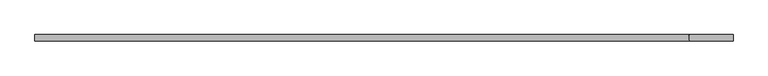
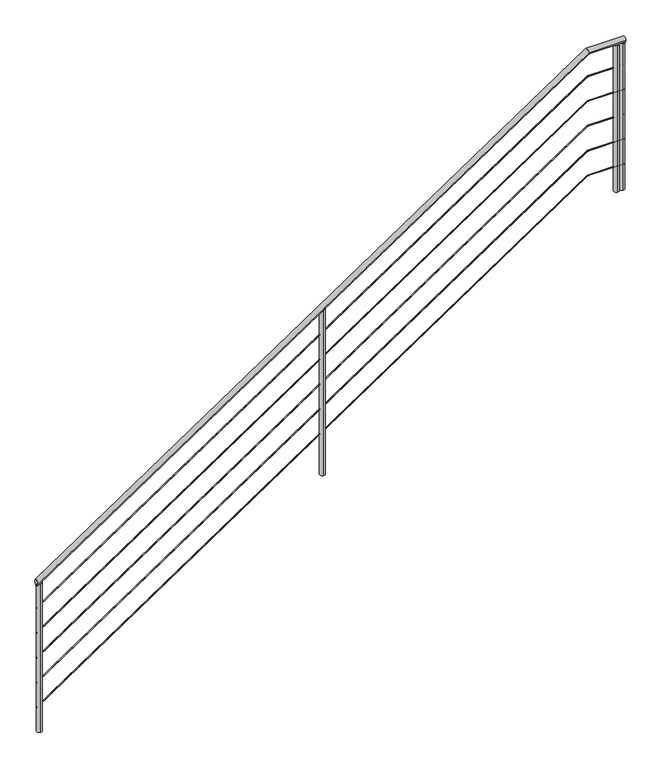
"""IFC4 building model written with IfcOpenShell, lengths in millimetres: railing geometry."""

from ifc_helpers import new_model, si_unit, point, frame, frame_2d, origin, place, context, project, spatial, circle_curve, ellipse_curve, trimmed, segment, composite_curve, outline, extrude, source, transform, mapped, element, save
from ifc_brep_helpers import plane_surface, cylinder_surface, advanced_brep


def railing_a1680101(model_context):
    return source(origin(), model_context, "Body", "SolidModel", [
        advanced_brep(
        [(38639.2418862, 5002.4018587, 1387.5), (38639.2418862, 4962.4018587, 1387.5), (42839.2418862, 4962.4018587, 4200.0), (42839.2418862, 5002.4018587, 4200.0), (43119.2418862, 5002.4018587, 4200.0), (43119.2418862, 4962.4018587, 4200.0)],
        [
            (0, 1, ellipse_curve(frame((38639.2418862, 4982.4018587, 1387.5), z_axis=(-1.0, 0.0, 0.0), x_axis=(0.0, 0.0, -1.0)), 24.0700773, 20.0)),
            (1, 0, ellipse_curve(frame((38639.2418862, 4982.4018587, 1387.5), z_axis=(-1.0, 0.0, 0.0), x_axis=(0.0, 0.0, -1.0)), 24.0700773, 20.0)),
            (1, 2),
            (2, 3, ellipse_curve(frame((42839.2418862, 4982.4018587, 4200.0), z_axis=(-0.9567933886099727, 0.0, -0.2907686563442594), x_axis=(0.29076865634425997, 0.0, -0.9567933886099725)), 20.9031545, 20.0)),
            (3, 0),
            (3, 2, ellipse_curve(frame((42839.2418862, 4982.4018587, 4200.0), z_axis=(-0.9567933886099727, 0.0, -0.2907686563442594), x_axis=(0.29076865634425997, 0.0, -0.9567933886099725)), 20.9031545, 20.0)),
            (4, 5, circle_curve(frame((43119.2418862, 4982.4018587, 4200.0), z_axis=(1.0, 0.0, 0.0), x_axis=(0.0, -1.0, 0.0)), 20.0)),
            (5, 4, circle_curve(frame((43119.2418862, 4982.4018587, 4200.0), z_axis=(1.0, 0.0, 0.0), x_axis=(0.0, -1.0, 0.0)), 20.0)),
            (2, 5),
            (4, 3),
        ],
        [
            plane_surface(frame((38639.2418862, 4982.4018587, 1387.5), z_axis=(-1.0, 0.0, 0.0), x_axis=(0.0, 1.0, 0.0))),
            cylinder_surface(frame((38639.2418862, 4982.4018587, 1387.5), z_axis=(-0.8309071769755081, 0.0, -0.5564110560103851), x_axis=(0.0, -1.0, 0.0)), 20.0),
            plane_surface(frame((43119.2418862, 4982.4018587, 4200.0), z_axis=(1.0, 0.0, 0.0), x_axis=(0.0, 1.0, 0.0))),
            cylinder_surface(frame((42839.2418862, 4982.4018587, 4200.0), z_axis=(-1.0, 0.0, 0.0), x_axis=(0.0, -1.0, 0.0)), 20.0),
        ],
        [
            (0, [[1, 2]]),
            (1, [[-2, 3, 4, 5]]),
            (1, [[-1, -5, 6, -3]]),
            (2, [[7, 8]]),
            (3, [[-4, 9, -7, 10]]),
            (3, [[-6, -10, -8, -9]]),
        ],
    ),
        advanced_brep(
        [(38639.2418862, 4985.4018587, 1183.8894884), (38639.2418862, 4979.4018587, 1183.8894884), (43119.2418862, 4985.4018587, 3997.0), (43119.2418862, 4979.4018587, 3997.0), (42840.1535835, 4985.4018587, 3997.0), (42840.1535835, 4979.4018587, 3997.0)],
        [
            (0, 1, ellipse_curve(frame((38639.2418862, 4982.4018587, 1183.8894884), z_axis=(-1.0, 0.0, 0.0), x_axis=(0.0, 0.0, -1.0)), 3.6105116, 3.0)),
            (1, 0, ellipse_curve(frame((38639.2418862, 4982.4018587, 1183.8894884), z_axis=(-1.0, 0.0, 0.0), x_axis=(0.0, 0.0, -1.0)), 3.6105116, 3.0)),
            (2, 3, circle_curve(frame((43119.2418862, 4982.4018587, 3997.0), z_axis=(1.0, 0.0, 0.0), x_axis=(0.0, -1.0, 0.0)), 3.0)),
            (3, 2, circle_curve(frame((43119.2418862, 4982.4018587, 3997.0), z_axis=(1.0, 0.0, 0.0), x_axis=(0.0, -1.0, 0.0)), 3.0)),
            (0, 4),
            (4, 5, ellipse_curve(frame((42840.1535835, 4982.4018587, 3997.0), z_axis=(-0.9567933886099727, 0.0, -0.2907686563442594), x_axis=(0.29076865634425997, 0.0, -0.9567933886099725)), 3.1354732, 3.0)),
            (5, 1),
            (5, 4, ellipse_curve(frame((42840.1535835, 4982.4018587, 3997.0), z_axis=(-0.9567933886099727, 0.0, -0.2907686563442594), x_axis=(0.29076865634425997, 0.0, -0.9567933886099725)), 3.1354732, 3.0)),
            (4, 2),
            (3, 5),
        ],
        [
            plane_surface(frame((38639.2418862, 4982.4018587, 1187.5), z_axis=(-1.0, 0.0, 0.0), x_axis=(0.0, 1.0, 0.0))),
            plane_surface(frame((43119.2418862, 4982.4018587, 4000.0), z_axis=(1.0, 0.0, 0.0), x_axis=(0.0, 1.0, 0.0))),
            cylinder_surface(frame((38640.9111193, 4982.4018587, 1185.0072785), z_axis=(-0.8309071769755081, 0.0, -0.5564110560103851), x_axis=(0.0, -1.0, 0.0)), 3.0),
            cylinder_surface(frame((42839.2418862, 4982.4018587, 3997.0), z_axis=(-1.0, 0.0, 0.0), x_axis=(0.0, -1.0, 0.0)), 3.0),
        ],
        [
            (0, [[1, 2]]),
            (1, [[3, 4]]),
            (2, [[-1, 5, 6, 7]]),
            (2, [[-2, -7, 8, -5]]),
            (3, [[-6, 9, -4, 10]]),
            (3, [[-8, -10, -3, -9]]),
        ],
    ),
        advanced_brep(
        [(38639.2418862, 4985.4018587, 983.8894884), (38639.2418862, 4979.4018587, 983.8894884), (42840.1535835, 4985.4018587, 3797.0), (42840.1535835, 4979.4018587, 3797.0), (43119.2418862, 4985.4018587, 3797.0), (43119.2418862, 4979.4018587, 3797.0)],
        [
            (0, 1, ellipse_curve(frame((38639.2418862, 4982.4018587, 983.8894884), z_axis=(-1.0, 0.0, 0.0), x_axis=(0.0, 0.0, -1.0)), 3.6105116, 3.0)),
            (1, 0, ellipse_curve(frame((38639.2418862, 4982.4018587, 983.8894884), z_axis=(-1.0, 0.0, 0.0), x_axis=(0.0, 0.0, -1.0)), 3.6105116, 3.0)),
            (0, 2),
            (2, 3, ellipse_curve(frame((42840.1535835, 4982.4018587, 3797.0), z_axis=(-0.9567933886099727, 0.0, -0.2907686563442594), x_axis=(0.29076865634425997, 0.0, -0.9567933886099725)), 3.1354732, 3.0)),
            (3, 1),
            (3, 2, ellipse_curve(frame((42840.1535835, 4982.4018587, 3797.0), z_axis=(-0.9567933886099727, 0.0, -0.2907686563442594), x_axis=(0.29076865634425997, 0.0, -0.9567933886099725)), 3.1354732, 3.0)),
            (4, 5, circle_curve(frame((43119.2418862, 4982.4018587, 3797.0), z_axis=(1.0, 0.0, 0.0), x_axis=(0.0, -1.0, 0.0)), 3.0)),
            (5, 4, circle_curve(frame((43119.2418862, 4982.4018587, 3797.0), z_axis=(1.0, 0.0, 0.0), x_axis=(0.0, -1.0, 0.0)), 3.0)),
            (2, 4),
            (5, 3),
        ],
        [
            plane_surface(frame((38639.2418862, 4982.4018587, 987.5), z_axis=(-1.0, 0.0, 0.0), x_axis=(0.0, 1.0, 0.0))),
            cylinder_surface(frame((38640.9111193, 4982.4018587, 985.0072785), z_axis=(-0.8309071769755081, 0.0, -0.5564110560103851), x_axis=(0.0, -1.0, 0.0)), 3.0),
            plane_surface(frame((43119.2418862, 4982.4018587, 3800.0), z_axis=(1.0, 0.0, 0.0), x_axis=(0.0, 1.0, 0.0))),
            cylinder_surface(frame((42839.2418862, 4982.4018587, 3797.0), z_axis=(-1.0, 0.0, 0.0), x_axis=(0.0, -1.0, 0.0)), 3.0),
        ],
        [
            (0, [[1, 2]]),
            (1, [[-1, 3, 4, 5]]),
            (1, [[-2, -5, 6, -3]]),
            (2, [[7, 8]]),
            (3, [[-4, 9, -8, 10]]),
            (3, [[-6, -10, -7, -9]]),
        ],
    ),
        advanced_brep(
        [(38639.2418862, 4985.4018587, 783.8894884), (38639.2418862, 4979.4018587, 783.8894884), (42840.1535835, 4985.4018587, 3597.0), (42840.1535835, 4979.4018587, 3597.0), (43119.2418862, 4985.4018587, 3597.0), (43119.2418862, 4979.4018587, 3597.0)],
        [
            (0, 1, ellipse_curve(frame((38639.2418862, 4982.4018587, 783.8894884), z_axis=(-1.0, 0.0, 0.0), x_axis=(0.0, 0.0, -1.0)), 3.6105116, 3.0)),
            (1, 0, ellipse_curve(frame((38639.2418862, 4982.4018587, 783.8894884), z_axis=(-1.0, 0.0, 0.0), x_axis=(0.0, 0.0, -1.0)), 3.6105116, 3.0)),
            (0, 2),
            (2, 3, ellipse_curve(frame((42840.1535835, 4982.4018587, 3597.0), z_axis=(-0.9567933886099727, 0.0, -0.2907686563442594), x_axis=(0.29076865634425997, 0.0, -0.9567933886099725)), 3.1354732, 3.0)),
            (3, 1),
            (3, 2, ellipse_curve(frame((42840.1535835, 4982.4018587, 3597.0), z_axis=(-0.9567933886099727, 0.0, -0.2907686563442594), x_axis=(0.29076865634425997, 0.0, -0.9567933886099725)), 3.1354732, 3.0)),
            (4, 5, circle_curve(frame((43119.2418862, 4982.4018587, 3597.0), z_axis=(1.0, 0.0, 0.0), x_axis=(0.0, -1.0, 0.0)), 3.0)),
            (5, 4, circle_curve(frame((43119.2418862, 4982.4018587, 3597.0), z_axis=(1.0, 0.0, 0.0), x_axis=(0.0, -1.0, 0.0)), 3.0)),
            (2, 4),
            (5, 3),
        ],
        [
            plane_surface(frame((38639.2418862, 4982.4018587, 787.5), z_axis=(-1.0, 0.0, 0.0), x_axis=(0.0, 1.0, 0.0))),
            cylinder_surface(frame((38640.9111193, 4982.4018587, 785.0072785), z_axis=(-0.8309071769755081, 0.0, -0.5564110560103851), x_axis=(0.0, -1.0, 0.0)), 3.0),
            plane_surface(frame((43119.2418862, 4982.4018587, 3600.0), z_axis=(1.0, 0.0, 0.0), x_axis=(0.0, 1.0, 0.0))),
            cylinder_surface(frame((42839.2418862, 4982.4018587, 3597.0), z_axis=(-1.0, 0.0, 0.0), x_axis=(0.0, -1.0, 0.0)), 3.0),
        ],
        [
            (0, [[1, 2]]),
            (1, [[-1, 3, 4, 5]]),
            (1, [[-2, -5, 6, -3]]),
            (2, [[7, 8]]),
            (3, [[-4, 9, -8, 10]]),
            (3, [[-6, -10, -7, -9]]),
        ],
    ),
        advanced_brep(
        [(38639.2418862, 4985.4018587, 583.8894884), (38639.2418862, 4979.4018587, 583.8894884), (42840.1535835, 4985.4018587, 3397.0), (42840.1535835, 4979.4018587, 3397.0), (43119.2418862, 4985.4018587, 3397.0), (43119.2418862, 4979.4018587, 3397.0)],
        [
            (0, 1, ellipse_curve(frame((38639.2418862, 4982.4018587, 583.8894884), z_axis=(-1.0, 0.0, 0.0), x_axis=(0.0, 0.0, -1.0)), 3.6105116, 3.0)),
            (1, 0, ellipse_curve(frame((38639.2418862, 4982.4018587, 583.8894884), z_axis=(-1.0, 0.0, 0.0), x_axis=(0.0, 0.0, -1.0)), 3.6105116, 3.0)),
            (0, 2),
            (2, 3, ellipse_curve(frame((42840.1535835, 4982.4018587, 3397.0), z_axis=(-0.9567933886099727, 0.0, -0.2907686563442594), x_axis=(0.29076865634425997, 0.0, -0.9567933886099725)), 3.1354732, 3.0)),
            (3, 1),
            (3, 2, ellipse_curve(frame((42840.1535835, 4982.4018587, 3397.0), z_axis=(-0.9567933886099727, 0.0, -0.2907686563442594), x_axis=(0.29076865634425997, 0.0, -0.9567933886099725)), 3.1354732, 3.0)),
            (4, 5, circle_curve(frame((43119.2418862, 4982.4018587, 3397.0), z_axis=(1.0, 0.0, 0.0), x_axis=(0.0, -1.0, 0.0)), 3.0)),
            (5, 4, circle_curve(frame((43119.2418862, 4982.4018587, 3397.0), z_axis=(1.0, 0.0, 0.0), x_axis=(0.0, -1.0, 0.0)), 3.0)),
            (2, 4),
            (5, 3),
        ],
        [
            plane_surface(frame((38639.2418862, 4982.4018587, 587.5), z_axis=(-1.0, 0.0, 0.0), x_axis=(0.0, 1.0, 0.0))),
            cylinder_surface(frame((38640.9111193, 4982.4018587, 585.0072785), z_axis=(-0.8309071769755081, 0.0, -0.5564110560103851), x_axis=(0.0, -1.0, 0.0)), 3.0),
            plane_surface(frame((43119.2418862, 4982.4018587, 3400.0), z_axis=(1.0, 0.0, 0.0), x_axis=(0.0, 1.0, 0.0))),
            cylinder_surface(frame((42839.2418862, 4982.4018587, 3397.0), z_axis=(-1.0, 0.0, 0.0), x_axis=(0.0, -1.0, 0.0)), 3.0),
        ],
        [
            (0, [[1, 2]]),
            (1, [[-1, 3, 4, 5]]),
            (1, [[-2, -5, 6, -3]]),
            (2, [[7, 8]]),
            (3, [[-4, 9, -8, 10]]),
            (3, [[-6, -10, -7, -9]]),
        ],
    ),
        advanced_brep(
        [(38639.2418862, 4985.4018587, 383.8894884), (38639.2418862, 4979.4018587, 383.8894884), (42840.1535835, 4985.4018587, 3197.0), (42840.1535835, 4979.4018587, 3197.0), (43119.2418862, 4985.4018587, 3197.0), (43119.2418862, 4979.4018587, 3197.0)],
        [
            (0, 1, ellipse_curve(frame((38639.2418862, 4982.4018587, 383.8894884), z_axis=(-1.0, 0.0, 0.0), x_axis=(0.0, 0.0, -1.0)), 3.6105116, 3.0)),
            (1, 0, ellipse_curve(frame((38639.2418862, 4982.4018587, 383.8894884), z_axis=(-1.0, 0.0, 0.0), x_axis=(0.0, 0.0, -1.0)), 3.6105116, 3.0)),
            (0, 2),
            (2, 3, ellipse_curve(frame((42840.1535835, 4982.4018587, 3197.0), z_axis=(-0.9567933886099727, 0.0, -0.2907686563442594), x_axis=(0.29076865634425997, 0.0, -0.9567933886099725)), 3.1354732, 3.0)),
            (3, 1),
            (3, 2, ellipse_curve(frame((42840.1535835, 4982.4018587, 3197.0), z_axis=(-0.9567933886099727, 0.0, -0.2907686563442594), x_axis=(0.29076865634425997, 0.0, -0.9567933886099725)), 3.1354732, 3.0)),
            (4, 5, circle_curve(frame((43119.2418862, 4982.4018587, 3197.0), z_axis=(1.0, 0.0, 0.0), x_axis=(0.0, -1.0, 0.0)), 3.0)),
            (5, 4, circle_curve(frame((43119.2418862, 4982.4018587, 3197.0), z_axis=(1.0, 0.0, 0.0), x_axis=(0.0, -1.0, 0.0)), 3.0)),
            (2, 4),
            (5, 3),
        ],
        [
            plane_surface(frame((38639.2418862, 4982.4018587, 387.5), z_axis=(-1.0, 0.0, 0.0), x_axis=(0.0, 1.0, 0.0))),
            cylinder_surface(frame((38640.9111193, 4982.4018587, 385.0072785), z_axis=(-0.8309071769755081, 0.0, -0.5564110560103851), x_axis=(0.0, -1.0, 0.0)), 3.0),
            plane_surface(frame((43119.2418862, 4982.4018587, 3200.0), z_axis=(1.0, 0.0, 0.0), x_axis=(0.0, 1.0, 0.0))),
            cylinder_surface(frame((42839.2418862, 4982.4018587, 3197.0), z_axis=(-1.0, 0.0, 0.0), x_axis=(0.0, -1.0, 0.0)), 3.0),
        ],
        [
            (0, [[1, 2]]),
            (1, [[-1, 3, 4, 5]]),
            (1, [[-2, -5, 6, -3]]),
            (2, [[7, 8]]),
            (3, [[-4, 9, -8, 10]]),
            (3, [[-6, -10, -7, -9]]),
        ],
    ),
        extrude(outline(composite_curve([segment(trimmed(circle_curve(frame_2d((43058.7013456, 4982.4018587)), 20.0), [point((43058.7013456, 5002.4018587))], [point((43058.7013456, 4962.4018587))], False, "CARTESIAN"), True, "CONTINUOUS"), segment(trimmed(circle_curve(frame_2d((43058.7013456, 4982.4018587)), 20.0), [point((43058.7013456, 4962.4018587))], [point((43058.7013456, 5002.4018587))], False, "CARTESIAN"), True, "CONTINUOUS")], self_intersect=False)), frame((0.0, 0.0, 3000.0), z_axis=(0.0, 0.0, 1.0), x_axis=(1.0, 0.0, 0.0)), (0.0, 0.0, 1.0), 1180.0),
        advanced_brep(
        [(40818.7013456, 4962.4018587, 2826.9594595), (40818.7013456, 4962.4018587, 1500.0), (40818.7013456, 5002.4018587, 1500.0), (40818.7013456, 5002.4018587, 2826.9594595)],
        [
            (0, 1),
            (1, 2, circle_curve(frame((40818.7013456, 4982.4018587, 1500.0), z_axis=(0.0, 0.0, 1.0), x_axis=(0.0, 1.0, 0.0)), 20.0)),
            (2, 3),
            (3, 0, ellipse_curve(frame((40818.7013456, 4982.4018587, 2826.9594595), z_axis=(0.5564110560103851, 0.0, -0.8309071769755081), x_axis=(0.8309071769755082, 0.0, 0.5564110560103848)), 24.0700773, 20.0)),
            (0, 3, ellipse_curve(frame((40818.7013456, 4982.4018587, 2826.9594595), z_axis=(0.5564110560103851, 0.0, -0.8309071769755081), x_axis=(0.8309071769755082, 0.0, 0.5564110560103848)), 24.0700773, 20.0)),
            (2, 1, circle_curve(frame((40818.7013456, 4982.4018587, 1500.0), z_axis=(0.0, 0.0, 1.0), x_axis=(0.0, 1.0, 0.0)), 20.0)),
        ],
        [
            cylinder_surface(frame((40818.7013456, 4982.4018587, 1400.0), z_axis=(0.0, 0.0, 1.0), x_axis=(0.0, 1.0, 0.0)), 20.0),
            plane_surface(frame((40858.7013456, 5022.4018587, 2853.7451737), z_axis=(-0.5564110560103851, 0.0, 0.8309071769755081), x_axis=(0.0, -1.0, 0.0))),
            plane_surface(frame((40778.7013456, 5022.4018587, 1500.0), z_axis=(0.0, 0.0, -1.0), x_axis=(0.0, -1.0, 0.0))),
        ],
        [
            (0, [[1, 2, 3, 4]]),
            (0, [[-1, 5, -3, 6]]),
            (1, [[-4, -5]]),
            (2, [[-2, -6]]),
        ],
    ),
        extrude(outline(composite_curve([segment(trimmed(circle_curve(frame_2d((43099.2418862, 4982.4018587)), 20.0), [point((43099.2418862, 5002.4018587))], [point((43099.2418862, 4962.4018587))], False, "CARTESIAN"), True, "CONTINUOUS"), segment(trimmed(circle_curve(frame_2d((43099.2418862, 4982.4018587)), 20.0), [point((43099.2418862, 4962.4018587))], [point((43099.2418862, 5002.4018587))], False, "CARTESIAN"), True, "CONTINUOUS")], self_intersect=False)), frame((0.0, 0.0, 3000.0), z_axis=(0.0, 0.0, 1.0), x_axis=(1.0, 0.0, 0.0)), (0.0, 0.0, 1.0), 1180.0),
        advanced_brep(
        [(38659.2418862, 4962.4018587, 1380.8928571), (38659.2418862, 4962.4018587, 187.5), (38659.2418862, 5002.4018587, 187.5), (38659.2418862, 5002.4018587, 1380.8928571)],
        [
            (0, 1),
            (1, 2, circle_curve(frame((38659.2418862, 4982.4018587, 187.5), z_axis=(0.0, 0.0, 1.0), x_axis=(0.0, 1.0, 0.0)), 20.0)),
            (2, 3),
            (3, 0, ellipse_curve(frame((38659.2418862, 4982.4018587, 1380.8928571), z_axis=(0.5564110560103841, 0.0, -0.8309071769755086), x_axis=(0.8309071769755086, 0.0, 0.5564110560103841)), 24.0700773, 20.0)),
            (0, 3, ellipse_curve(frame((38659.2418862, 4982.4018587, 1380.8928571), z_axis=(0.5564110560103841, 0.0, -0.8309071769755086), x_axis=(0.8309071769755086, 0.0, 0.5564110560103841)), 24.0700773, 20.0)),
            (2, 1, circle_curve(frame((38659.2418862, 4982.4018587, 187.5), z_axis=(0.0, 0.0, 1.0), x_axis=(0.0, 1.0, 0.0)), 20.0)),
        ],
        [
            cylinder_surface(frame((38659.2418862, 4982.4018587, 87.5), z_axis=(0.0, 0.0, 1.0), x_axis=(0.0, 1.0, 0.0)), 20.0),
            plane_surface(frame((38699.2418862, 5022.4018587, 1407.6785714), z_axis=(-0.5564110560103841, 0.0, 0.8309071769755086), x_axis=(0.0, -1.0, 0.0))),
            plane_surface(frame((38619.2418862, 5022.4018587, 187.5), z_axis=(0.0, 0.0, -1.0), x_axis=(0.0, -1.0, 0.0))),
        ],
        [
            (0, [[1, 2, 3, 4]]),
            (0, [[-1, 5, -3, 6]]),
            (1, [[-4, -5]]),
            (2, [[-2, -6]]),
        ],
    ),
    ])


if __name__ == "__main__":
    model = new_model("IFC4")
    model_context = context("Model", 3, world=origin())
    ifc_project = project(units=[si_unit("LENGTHUNIT", "METRE", prefix="MILLI")], contexts=[model_context])
    site = spatial("IfcSite", under=ifc_project)
    building = spatial("IfcBuilding", under=site)
    placement = place(None, origin())
    railing_shape = railing_a1680101(model_context)
    element("IfcRailing", 1, at=placement, inside=building, context=model_context, shape_type="MappedRepresentation", body=[
        mapped(railing_shape, transform((0.0, 0.0, 0.0), x_axis=(1.0, 0.0, 0.0), y_axis=(0.0, 1.0, 0.0), z_axis=(0.0, 0.0, 1.0))),
    ])
    save(model, "model.ifc")
